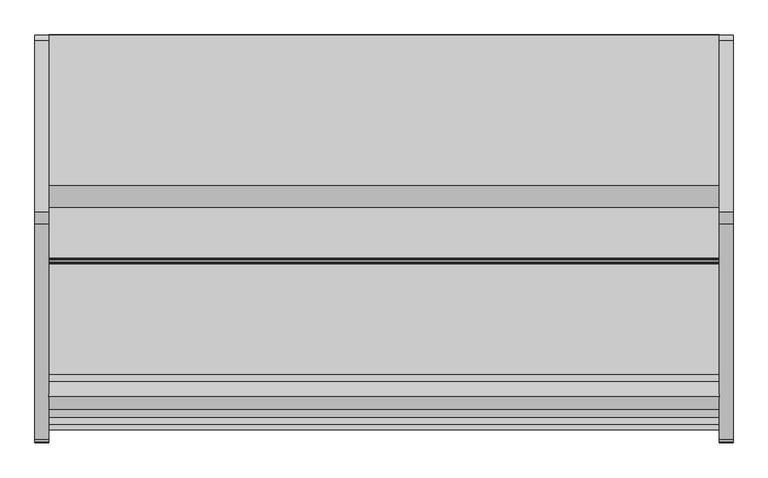
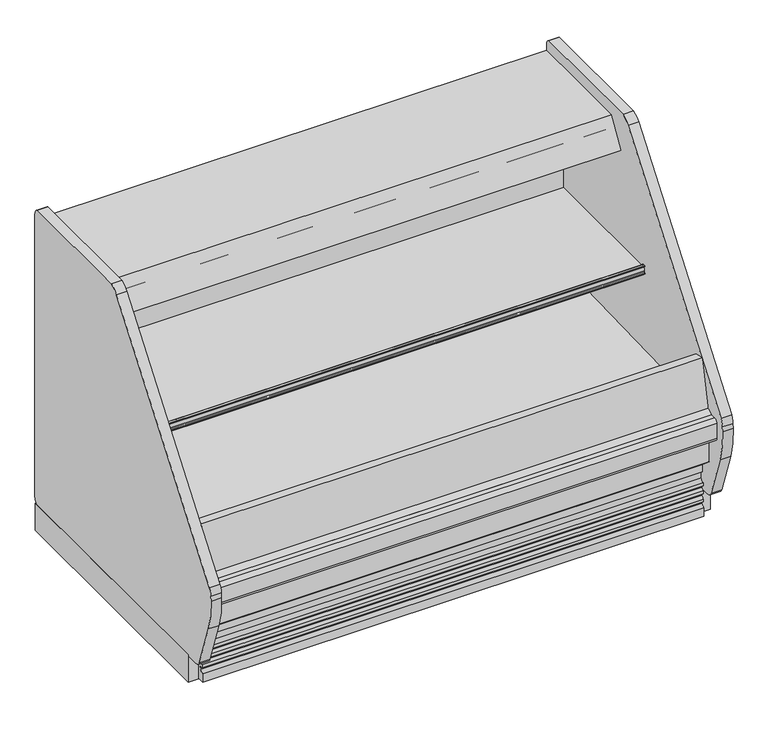
"""IFC4 building model written with IfcOpenShell, lengths in millimetres: proxy geometry."""

from ifc_helpers import new_model, si_unit, point, frame, frame_2d, origin, place, context, project, spatial, polyline, circle_curve, trimmed, segment, composite_curve, outline, extrude, source, transform, mapped, element, save


def mechanical_equipment_7b851d63(model_context):
    return source(origin(), model_context, "Body", "SweptSolid", [
        extrude(outline(polyline([(-38.1, 711.6798615), (-38.1, 1676.4817512), (0.0, 1676.4817512), (0.0, 711.6798615), (-38.1, 711.6798615)])), frame((0.0, 0.0, -11.3168344), z_axis=(0.0, 0.0, 1.0), x_axis=(1.0, 0.0, 0.0)), (0.0, 0.0, 1.0), 104.8514253),
        extrude(outline(composite_curve([segment(trimmed(circle_curve(frame_2d((1654.2567512, 115.824)), 25.4), [point((1679.6567512, 115.824))], [point((1654.2567512, 90.424))], False, "CARTESIAN"), True, "CONTINUOUS"), segment(polyline([(1654.2567512, 90.424), (663.8091512, 90.424)]), True, "CONTINUOUS"), segment(trimmed(circle_curve(frame_2d((663.8091512, 115.824)), 25.4), [point((663.8091512, 90.424))], [point((640.0585823, 106.8200855))], False, "CARTESIAN"), True, "CONTINUOUS"), segment(polyline([(640.0585823, 106.8200855), (583.366812, 271.4649415)]), True, "CONTINUOUS"), segment(trimmed(circle_curve(frame_2d((873.0738926, 371.2190892)), 306.4002), [point((583.366812, 271.4649415))], [point((567.1589099, 388.45585))], False, "CARTESIAN"), True, "CONTINUOUS"), segment(polyline([(567.1589099, 388.45585), (568.1644935, 406.3027696)]), True, "CONTINUOUS"), segment(trimmed(circle_curve(frame_2d((628.296424, 402.9146397)), 60.2273068), [point((568.1644935, 406.3027696))], [point((577.139934, 434.7005174))], False, "CARTESIAN"), True, "CONTINUOUS"), segment(polyline([(577.139934, 434.7005174), (1164.6180638, 1208.5085359)]), True, "CONTINUOUS"), segment(trimmed(circle_curve(frame_2d((1216.0137543, 1169.488723)), 64.5295498), [point((1164.6180638, 1208.5085359))], [point((1196.9254855, 1231.130436))], False, "CARTESIAN"), True, "CONTINUOUS"), segment(polyline([(1196.9254855, 1231.130436), (1664.8043866, 1231.130436)]), True, "CONTINUOUS"), segment(trimmed(circle_curve(frame_2d((1654.2567512, 1208.024)), 25.4), [point((1664.8043866, 1231.130436))], [point((1679.6567512, 1208.024))], False, "CARTESIAN"), True, "CONTINUOUS"), segment(polyline([(1679.6567512, 1208.024), (1679.6567512, 115.824)]), True, "CONTINUOUS")], self_intersect=False)), frame((-38.1, 0.0, 0.0), z_axis=(1.0, 0.0, 0.0), x_axis=(0.0, 1.0, 0.0)), (0.0, 0.0, 1.0), 38.1),
        extrude(outline(polyline([(1828.8, 711.6798615), (1828.8, 1679.6567512), (1866.9, 1679.6567512), (1866.9, 711.6798615), (1828.8, 711.6798615)])), frame((0.0, 0.0, -11.3168344), z_axis=(0.0, 0.0, 1.0), x_axis=(1.0, 0.0, 0.0)), (0.0, 0.0, 1.0), 104.8514253),
        extrude(outline(composite_curve([segment(trimmed(circle_curve(frame_2d((1654.2567512, 115.824)), 25.4), [point((1679.6567512, 115.824))], [point((1654.2567512, 90.424))], False, "CARTESIAN"), True, "CONTINUOUS"), segment(polyline([(1654.2567512, 90.424), (663.8091512, 90.424)]), True, "CONTINUOUS"), segment(trimmed(circle_curve(frame_2d((663.8091512, 115.824)), 25.4), [point((663.8091512, 90.424))], [point((640.0585823, 106.8200855))], False, "CARTESIAN"), True, "CONTINUOUS"), segment(polyline([(640.0585823, 106.8200855), (583.366812, 271.4649415)]), True, "CONTINUOUS"), segment(trimmed(circle_curve(frame_2d((873.0738926, 371.2190892)), 306.4002), [point((583.366812, 271.4649415))], [point((567.1589099, 388.45585))], False, "CARTESIAN"), True, "CONTINUOUS"), segment(polyline([(567.1589099, 388.45585), (568.1644935, 406.3027696)]), True, "CONTINUOUS"), segment(trimmed(circle_curve(frame_2d((628.296424, 402.9146397)), 60.2273068), [point((568.1644935, 406.3027696))], [point((577.139934, 434.7005174))], False, "CARTESIAN"), True, "CONTINUOUS"), segment(polyline([(577.139934, 434.7005174), (1164.6180638, 1208.5085359)]), True, "CONTINUOUS"), segment(trimmed(circle_curve(frame_2d((1216.0137543, 1169.488723)), 64.5295498), [point((1164.6180638, 1208.5085359))], [point((1196.9254855, 1231.130436))], False, "CARTESIAN"), True, "CONTINUOUS"), segment(polyline([(1196.9254855, 1231.130436), (1664.8043866, 1231.130436)]), True, "CONTINUOUS"), segment(trimmed(circle_curve(frame_2d((1654.2567512, 1208.024)), 25.4), [point((1664.8043866, 1231.130436))], [point((1679.6567512, 1208.024))], False, "CARTESIAN"), True, "CONTINUOUS"), segment(polyline([(1679.6567512, 1208.024), (1679.6567512, 115.824)]), True, "CONTINUOUS")], self_intersect=False)), frame((1828.8, 0.0, 0.0), z_axis=(1.0, 0.0, 0.0), x_axis=(0.0, 1.0, 0.0)), (0.0, 0.0, 1.0), 38.1),
        extrude(outline(polyline([(700.6989891, 429.4188157), (703.0591015, 429.4188157), (703.0591015, 354.7248198), (651.5915009, 354.7248198), (651.5915009, 397.6615582), (654.8785028, 409.9288162), (694.4586598, 400.0603747), (700.6989891, 429.4188157)])), frame((0.0, 0.0, 0.0), z_axis=(1.0, 0.0, 0.0), x_axis=(0.0, 1.0, 0.0)), (0.0, 0.0, 1.0), 1828.8),
        extrude(outline(composite_curve([segment(polyline([(870.0317512, 13.1861931), (802.6421421, -10.0179102), (685.8817512, -10.0179102), (685.8817512, 24.1551363)]), True, "CONTINUOUS"), segment(trimmed(circle_curve(frame_2d((685.2131661, 37.1859194)), 13.0479237), [point((685.8817512, 24.1551363))], [point((697.6951339, 33.3847624))], True, "CARTESIAN"), True, "CONTINUOUS"), segment(polyline([(697.6951339, 33.3847624), (701.3949328, 45.5338977), (688.7345978, 45.5338977), (688.7345978, 55.3266015)]), True, "CONTINUOUS"), segment(trimmed(circle_curve(frame_2d((681.8131487, 71.3264274)), 17.4327532), [point((688.7345978, 55.3266015))], [point((697.8129746, 64.4049783))], True, "CARTESIAN"), True, "CONTINUOUS"), segment(polyline([(697.8129746, 64.4049783), (701.0997968, 75.1980102), (688.7345978, 75.1980102), (688.7345978, 86.2266419)]), True, "CONTINUOUS"), segment(trimmed(circle_curve(frame_2d((679.7391667, 104.3064105)), 20.1939548), [point((688.7345978, 86.2266419))], [point((697.8189353, 95.3109794))], True, "CARTESIAN"), True, "CONTINUOUS"), segment(polyline([(697.8189353, 95.3109794), (701.2169039, 105.7688515), (688.7345978, 105.7688515), (688.7345978, 117.156214)]), True, "CONTINUOUS"), segment(trimmed(circle_curve(frame_2d((689.6775874, 129.8463901)), 12.725164), [point((688.7345978, 117.156214))], [point((702.3755024, 129.0140715))], True, "CARTESIAN"), True, "CONTINUOUS"), segment(polyline([(702.3755024, 129.0140715), (702.3755024, 157.4271822), (695.1666308, 157.4271822), (695.1666308, 184.3168811), (803.3567512, 93.5345909), (870.0317512, 93.5345909), (870.0317512, 13.1861931)]), True, "CONTINUOUS")], self_intersect=False)), frame((0.0, 0.0, 0.0), z_axis=(1.0, 0.0, 0.0), x_axis=(0.0, 1.0, 0.0)), (0.0, 0.0, 1.0), 1828.8),
        extrude(outline(polyline([(1828.8, 1644.9330022), (1828.8, 914.8798615), (0.0, 914.8798615), (0.0, 1644.9330022), (1828.8, 1644.9330022)])), frame((0.0, 0.0, 37.3530898), z_axis=(0.0, 0.0, 1.0), x_axis=(1.0, 0.0, 0.0)), (0.0, 0.0, 1.0), 19.8448583),
        extrude(outline(polyline([(1680.0548615, 88.1209301), (1680.0548615, -11.6054102), (1644.9330022, -11.6054102), (1644.9330022, 57.1979482), (914.8798615, 57.1979482), (914.8798615, -11.6054102), (870.0317512, -11.6054102), (870.0317512, 78.1978198), (885.3685223, 93.5345909), (1674.6412007, 93.5345909), (1680.0548615, 88.1209301)])), frame((0.0, 0.0, 0.0), z_axis=(1.0, 0.0, 0.0), x_axis=(0.0, 1.0, 0.0)), (0.0, 0.0, 1.0), 1828.8),
        extrude(outline(polyline([(1594.2644284, 1025.5206156), (1583.9071991, 1044.9997308), (1563.9166424, 1110.3858957), (1537.8698944, 1107.1877571), (1539.0842716, 1097.2974484), (1538.1925249, 1097.2974484), (1536.8775204, 1108.0072999), (1564.4826399, 1111.3967824), (1584.6185071, 1045.5353284), (1595.2605186, 1025.5206156), (1594.2644284, 1025.5206156)])), frame((0.0, 0.0, 0.0), z_axis=(1.0, 0.0, 0.0), x_axis=(0.0, 1.0, 0.0)), (0.0, 0.0, 1.0), 1828.8),
        extrude(outline(composite_curve([segment(trimmed(circle_curve(frame_2d((1066.8477421, 703.6034797)), 1.734506), [point((1065.1132361, 703.6034797))], [point((1068.582248, 703.6034797))], True, "CARTESIAN"), True, "CONTINUOUS"), segment(polyline([(1068.582248, 703.6034797), (1068.582248, 705.0737255), (1070.4287059, 705.0737255), (1068.582248, 700.7946899)]), True, "CONTINUOUS"), segment(trimmed(circle_curve(frame_2d((1067.4067309, 701.3019404)), 1.2802904), [point((1068.582248, 700.7946899))], [point((1067.4039712, 700.0216529))], False, "CARTESIAN"), True, "CONTINUOUS"), segment(polyline([(1067.4039712, 700.0216529), (1058.7511654, 698.4959298), (1056.4923111, 700.7547842), (1056.1496622, 702.6980422), (1056.9234845, 703.4718644), (1058.4083409, 701.987008), (1061.7901577, 709.8241295), (1062.7098676, 727.3732393), (1060.0804447, 730.0026622), (1057.9305027, 727.8527202), (1059.226652, 730.8564548), (1067.1098527, 730.8564548)]), True, "CONTINUOUS"), segment(trimmed(circle_curve(frame_2d((1067.1098527, 729.1064354)), 1.7500194), [point((1067.1098527, 730.8564548))], [point((1068.8597116, 729.0827352))], False, "CARTESIAN"), True, "CONTINUOUS"), segment(polyline([(1068.8597116, 729.0827352), (1070.2712946, 726.6378017), (1069.3976166, 725.7641238), (1067.3090201, 727.8527202)]), True, "CONTINUOUS"), segment(trimmed(circle_curve(frame_2d((1066.2111281, 726.7548282)), 1.5526537), [point((1067.3090201, 727.8527202))], [point((1065.1132361, 727.8527202))], True, "CARTESIAN"), True, "CONTINUOUS"), segment(polyline([(1065.1132361, 727.8527202), (1065.1132361, 703.6034797)]), True, "CONTINUOUS")], self_intersect=False)), frame((0.0, 0.0, 0.0), z_axis=(1.0, 0.0, 0.0), x_axis=(0.0, 1.0, 0.0)), (0.0, 0.0, 1.0), 1828.8),
        extrude(outline(composite_curve([segment(polyline([(1571.7067512, 590.2683077), (1164.9515694, 699.2580302), (1164.9515694, 705.6080302), (1069.7160764, 707.2703719)]), True, "CONTINUOUS"), segment(trimmed(circle_curve(frame_2d((1069.6643954, 704.309571)), 2.9612519), [point((1069.7160764, 707.2703719))], [point((1066.873464, 705.2993765))], True, "CARTESIAN"), True, "CONTINUOUS"), segment(polyline([(1066.873464, 705.2993765), (1066.873464, 703.3197655), (1065.9699458, 703.3197655), (1065.1132361, 727.8527202), (1066.636294, 727.8527202), (1066.636294, 726.4700324)]), True, "CONTINUOUS"), segment(trimmed(circle_curve(frame_2d((1071.2894642, 726.4700324)), 4.6531702), [point((1066.636294, 726.4700324))], [point((1071.7347347, 721.8382156))], True, "CARTESIAN"), True, "CONTINUOUS"), segment(polyline([(1071.7347347, 721.8382156), (1571.7067512, 721.8382156), (1571.7067512, 590.2683077)]), True, "CONTINUOUS")], self_intersect=False)), frame((0.0, 0.0, 0.0), z_axis=(1.0, 0.0, 0.0), x_axis=(0.0, 1.0, 0.0)), (0.0, 0.0, 1.0), 1828.8),
        extrude(outline(composite_curve([segment(polyline([(1571.7067512, 1025.5206156), (1627.7435615, 1025.5206156), (1627.7435615, 333.3706156)]), True, "CONTINUOUS"), segment(trimmed(circle_curve(frame_2d((1469.0306823, 333.3706156)), 158.7128792), [point((1627.7435615, 333.3706156))], [point((1479.9882796, 175.0364465))], False, "CARTESIAN"), True, "CONTINUOUS"), segment(polyline([(1479.9882796, 175.0364465), (867.2878037, 153.6404744)]), True, "CONTINUOUS"), segment(trimmed(circle_curve(frame_2d((861.7450621, 312.3638282)), 158.8201027), [point((867.2878037, 153.6404744))], [point((703.0591015, 305.8376557))], False, "CARTESIAN"), True, "CONTINUOUS"), segment(polyline([(703.0591015, 305.8376557), (703.0591015, 429.4188157), (752.5567512, 429.4188157), (752.5567512, 397.5309651), (1561.6244846, 420.3022108)]), True, "CONTINUOUS"), segment(trimmed(circle_curve(frame_2d((1563.2340553, 428.6206156)), 8.4726959), [point((1561.6244846, 420.3022108))], [point((1571.7067512, 428.6206156))], True, "CARTESIAN"), True, "CONTINUOUS"), segment(polyline([(1571.7067512, 428.6206156), (1571.7067512, 1025.5206156)]), True, "CONTINUOUS")], self_intersect=False)), frame((0.0, 0.0, 0.0), z_axis=(1.0, 0.0, 0.0), x_axis=(0.0, 1.0, 0.0)), (0.0, 0.0, 1.0), 1828.8),
        extrude(outline(polyline([(1538.1632807, 1106.4970423), (1564.1991995, 1108.7748901), (1578.0854554, 1009.9690449), (1552.2399004, 1006.336689), (1538.1632807, 1106.4970423)])), frame((0.0, 0.0, 0.0), z_axis=(1.0, 0.0, 0.0), x_axis=(0.0, 1.0, 0.0)), (0.0, 0.0, 1.0), 1828.8),
        extrude(outline(composite_curve([segment(trimmed(circle_curve(frame_2d((1358.1238906, 1106.7948199)), 16.8446497), [point((1341.279241, 1106.7948199))], [point((1374.9685403, 1106.7948199))], False, "CARTESIAN"), True, "CONTINUOUS"), segment(trimmed(circle_curve(frame_2d((1358.1238906, 1106.7948199)), 16.8446497), [point((1374.9685403, 1106.7948199))], [point((1341.279241, 1106.7948199))], False, "CARTESIAN"), True, "CONTINUOUS")], self_intersect=False)), frame((0.0, 0.0, 0.0), z_axis=(1.0, 0.0, 0.0), x_axis=(0.0, 1.0, 0.0)), (0.0, 0.0, 1.0), 1828.8),
        extrude(outline(composite_curve([segment(trimmed(circle_curve(frame_2d((1320.2582961, 1114.7419199)), 16.5044202), [point((1303.753876, 1114.7419199))], [point((1336.7627163, 1114.7419199))], False, "CARTESIAN"), True, "CONTINUOUS"), segment(trimmed(circle_curve(frame_2d((1320.2582961, 1114.7419199)), 16.5044202), [point((1336.7627163, 1114.7419199))], [point((1303.753876, 1114.7419199))], False, "CARTESIAN"), True, "CONTINUOUS")], self_intersect=False)), frame((0.0, 0.0, 0.0), z_axis=(1.0, 0.0, 0.0), x_axis=(0.0, 1.0, 0.0)), (0.0, 0.0, 1.0), 1828.8),
        extrude(outline(polyline([(1679.6567512, 1131.2227156), (1627.7435615, 1131.2227156), (1627.7435615, 1025.5206156), (1579.7211589, 1025.5206156), (1579.7211589, 1114.0995029), (1548.4749319, 1111.3658123), (1504.996271, 1120.6074869), (1416.096271, 1120.6074869), (1294.505766, 1146.4523466), (1258.0281137, 1085.9550083), (1246.4226285, 1092.9526857), (1234.6608201, 1073.4459998), (1209.4906614, 1085.4836281), (1270.0817512, 1185.9725418), (1679.6567512, 1185.9725418), (1679.6567512, 1131.2227156)])), frame((0.0, 0.0, 0.0), z_axis=(1.0, 0.0, 0.0), x_axis=(0.0, 1.0, 0.0)), (0.0, 0.0, 1.0), 1828.8),
        extrude(outline(composite_curve([segment(polyline([(651.5915009, 354.7248198), (703.0591015, 354.7248198), (703.0591015, 305.8376557)]), True, "CONTINUOUS"), segment(trimmed(circle_curve(frame_2d((858.7051913, 309.1162745)), 155.6806173), [point((703.0591015, 305.8376557))], [point((864.1383665, 153.5304936))], True, "CARTESIAN"), True, "CONTINUOUS"), segment(polyline([(864.1383665, 153.5304936), (1482.8625836, 175.1368194)]), True, "CONTINUOUS"), segment(trimmed(circle_curve(frame_2d((1474.1483918, 328.4845909)), 153.5951697), [point((1482.8625836, 175.1368194))], [point((1627.7435615, 328.4845909))], True, "CARTESIAN"), True, "CONTINUOUS"), segment(polyline([(1627.7435615, 328.4845909), (1627.7435615, 1131.2227156), (1679.6567512, 1131.2227156), (1679.6567512, 93.5345909), (803.3567512, 93.5345909), (651.5915009, 220.8807565), (651.5915009, 354.7248198)]), True, "CONTINUOUS")], self_intersect=False)), frame((0.0, 0.0, 0.0), z_axis=(1.0, 0.0, 0.0), x_axis=(0.0, 1.0, 0.0)), (0.0, 0.0, 1.0), 1828.8),
        extrude(outline(composite_curve([segment(polyline([(616.0317512, 411.9965181), (636.0759477, 411.9965181), (636.0759477, 327.8115582), (616.0317512, 327.8115582)]), True, "CONTINUOUS"), segment(trimmed(circle_curve(frame_2d((616.0317512, 340.5115582)), 12.7), [point((616.0317512, 327.8115582))], [point((603.3317512, 340.5115582))], False, "CARTESIAN"), True, "CONTINUOUS"), segment(polyline([(603.3317512, 340.5115582), (603.3317512, 399.2965181)]), True, "CONTINUOUS"), segment(trimmed(circle_curve(frame_2d((616.0317512, 399.2965181)), 12.7), [point((603.3317512, 399.2965181))], [point((616.0317512, 411.9965181))], False, "CARTESIAN"), True, "CONTINUOUS")], self_intersect=False)), frame((0.0, 0.0, 0.0), z_axis=(1.0, 0.0, 0.0), x_axis=(0.0, 1.0, 0.0)), (0.0, 0.0, 1.0), 1828.8),
        extrude(outline(polyline([(651.5915009, 397.6615582), (651.5915009, 321.4615582), (636.0759477, 321.4615582), (636.0759477, 412.0464767), (657.9070443, 424.1769838), (654.8785028, 409.9288162), (651.5915009, 397.6615582)])), frame((0.0, 0.0, 0.0), z_axis=(1.0, 0.0, 0.0), x_axis=(0.0, 1.0, 0.0)), (0.0, 0.0, 1.0), 1828.8),
        extrude(outline(polyline([(654.8785028, 409.9288162), (694.5625835, 596.6277373), (734.4387268, 588.1518014), (694.4586598, 400.0603747), (688.4106639, 401.5683094), (654.8785028, 409.9288162)])), frame((0.0, 0.0, 0.0), z_axis=(1.0, 0.0, 0.0), x_axis=(0.0, 1.0, 0.0)), (0.0, 0.0, 1.0), 1828.8),
    ])


if __name__ == "__main__":
    model = new_model("IFC4")
    model_context = context("Model", 3, world=origin())
    ifc_project = project(units=[si_unit("LENGTHUNIT", "METRE", prefix="MILLI")], contexts=[model_context])
    site = spatial("IfcSite", under=ifc_project)
    building = spatial("IfcBuilding", under=site)
    placement = place(None, origin())
    mechanical_equipment_shape = mechanical_equipment_7b851d63(model_context)
    element("IfcBuildingElementProxy", 1, Name="Mechanical Equipment", at=placement, inside=building, context=model_context, shape_type="MappedRepresentation", body=[
        mapped(mechanical_equipment_shape, transform((0.0, 0.0, 0.0), x_axis=(1.0, 0.0, 0.0), y_axis=(0.0, 1.0, 0.0), z_axis=(0.0, 0.0, 1.0))),
    ])
    save(model, "model.ifc")
